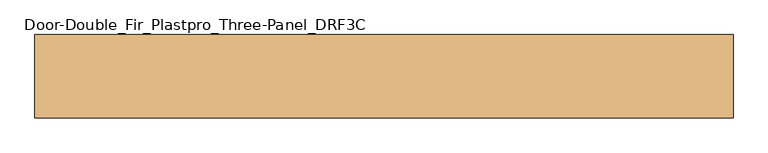
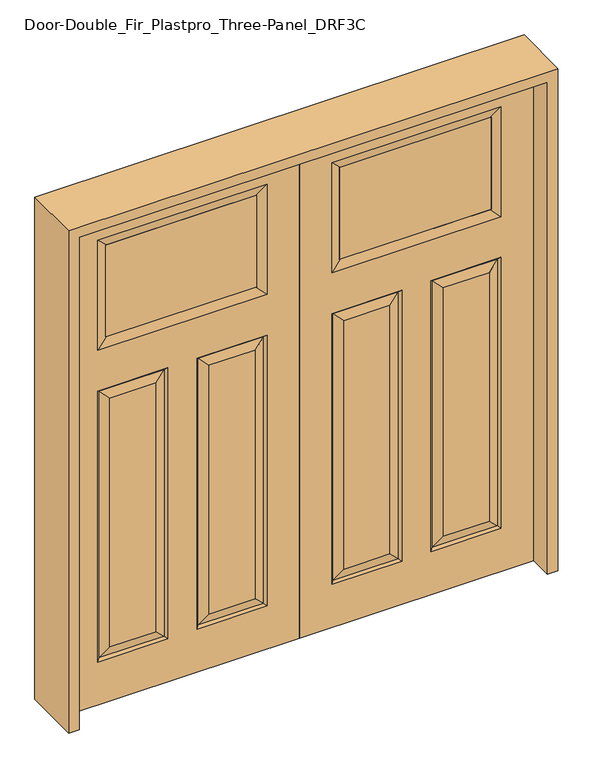
"""IFC4 building model written with IfcOpenShell, lengths in millimetres: door geometry, Door-Double_Fir_Plastpro_Three-Panel_DRF3C."""

from ifc_helpers import new_model, si_unit, frame, origin, place, context, project, spatial, polyline, outline, extrude, faceted_brep, source, transform, mapped, element, save


def door_double_fir_plastpro_three_panel_drf3c_b2e98c24(model_context):
    return source(origin(), model_context, "Body", "SolidModel", [
        faceted_brep([(914.4, -20.6375, 2032.0), (914.4, -20.6375, 0.0), (914.4, 20.6375, 0.0), (914.4, 20.6375, 2032.0), (0.0, 20.6375, 0.0), (0.0, 20.6375, 2032.0), (126.873, 20.6375, 177.673), (400.177, 20.6375, 177.673), (400.177, 20.6375, 1295.527), (126.873, 20.6375, 1295.527), (787.5984375, 20.6375, 1463.5757812), (787.5984375, 20.6375, 1917.8984375), (126.8015625, 20.6375, 1917.8984375), (126.8015625, 20.6375, 1463.5757812), (787.527, 20.6375, 1295.527), (514.223, 20.6375, 1295.527), (514.223, 20.6375, 177.673), (787.527, 20.6375, 177.673), (741.4895, 20.6375, 223.7105), (560.2605, 20.6375, 223.7105), (560.2605, 20.6375, 1249.4895), (741.4895, 20.6375, 1249.4895), (172.9105, 20.6375, 1249.4895), (354.1395, 20.6375, 1249.4895), (354.1395, 20.6375, 223.7105), (172.9105, 20.6375, 223.7105), (778.5467439, 11.6572439, 1286.5467439), (778.5467439, 11.6572439, 186.6532561), (523.2032561, 11.6572439, 186.6532561), (391.1967439, -11.6572439, 186.6532561), (391.1967439, -11.6572439, 1286.5467439), (354.1395, -20.6375, 1249.4895), (354.1395, -20.6375, 223.7105), (560.2605, -20.6375, 223.7105), (560.2605, -20.6375, 1249.4895), (523.2032561, -11.6572439, 1286.5467439), (523.2032561, -11.6572439, 186.6532561), (778.5467439, -11.6572439, 186.6532561), (514.223, -20.6375, 177.673), (787.527, -20.6375, 177.673), (787.5984375, -20.6375, 1463.5757812), (787.5984375, -20.6375, 1917.8984375), (750.5411936, -11.6572439, 1880.8411936), (753.7161936, -12.4266566, 1880.8898438), (753.7161936, -12.4266566, 1500.584375), (750.5411936, -11.6572439, 1500.584375), (163.8588064, -11.6572439, 1500.584375), (160.6838064, -12.4266566, 1500.584375), (160.6838064, -12.4266566, 1880.8898438), (163.8588064, -11.6572439, 1880.8898438), (126.8015625, -20.6375, 1917.8984375), (126.8015625, -20.6375, 1463.5757812), (135.8532561, -11.6572439, 1286.5467439), (400.177, -20.6375, 1295.527), (126.873, -20.6375, 1295.527), (160.6838064, 12.4266566, 1880.8898438), (163.8588064, 11.6572439, 1880.8898438), (750.5411936, 11.6690335, 1880.8898438), (753.7161936, 12.4266566, 1880.8898438), (0.0, -20.6375, 0.0), (0.0, -20.6375, 2032.0), (514.223, -20.6375, 1295.527), (787.527, -20.6375, 1295.527), (400.177, -20.6375, 177.673), (126.873, -20.6375, 177.673), (172.9105, -20.6375, 223.7105), (172.9105, -20.6375, 1249.4895), (741.4895, -20.6375, 1249.4895), (741.4895, -20.6375, 223.7105), (135.8532561, 11.6572439, 186.6532561), (391.1967439, 11.6572439, 186.6532561), (135.8532561, -11.6572439, 186.6532561), (778.5467439, -11.6572439, 1286.5467439), (160.6838064, 12.4266566, 1500.584375), (163.8588064, 11.6572439, 1500.584375), (135.8532561, 11.6572439, 1286.5467439), (391.1967439, 11.6572439, 1286.5467439), (523.2032561, 11.6572439, 1286.5467439), (750.5898438, 11.6690335, 1500.584375), (753.7161936, 12.4266566, 1500.584375)], [[[0, 1, 2, 3]], [[3, 2, 4, 5], [6, 7, 8, 9], [10, 11, 12, 13], [14, 15, 16, 17]], [[18, 19, 20, 21]], [[22, 23, 24, 25]], [[26, 14, 17, 27]], [[27, 18, 21, 26]], [[27, 28, 19, 18]], [[29, 30, 31, 32]], [[33, 34, 35, 36]], [[37, 36, 38, 39]], [[40, 41, 42, 43, 44, 45]], [[46, 47, 48, 49, 50, 51]], [[52, 30, 53, 54]], [[55, 56, 57, 58, 43, 42, 49, 48]], [[51, 40, 45, 46]], [[4, 2, 1, 59]], [[5, 4, 59, 60]], [[60, 59, 1, 0], [39, 38, 61, 62], [51, 50, 41, 40], [54, 53, 63, 64]], [[65, 32, 31, 66]], [[67, 34, 33, 68]], [[5, 60, 0, 3]], [[69, 70, 7, 6]], [[71, 29, 32, 65]], [[63, 53, 30, 29]], [[37, 39, 62, 72]], [[13, 12, 56, 55, 73, 74]], [[6, 9, 75, 69]], [[70, 76, 8, 7]], [[75, 22, 25, 69]], [[25, 24, 70, 69]], [[24, 23, 76, 70]], [[17, 16, 28, 27]], [[16, 15, 77, 28]], [[28, 77, 20, 19]], [[65, 66, 52, 71]], [[52, 54, 64, 71]], [[64, 63, 29, 71]], [[72, 67, 68, 37]], [[68, 33, 36, 37]], [[36, 35, 61, 38]], [[12, 11, 57, 56]], [[78, 79, 58, 57, 11, 10]], [[49, 42, 41, 50]], [[66, 31, 30, 52]], [[9, 8, 76, 75]], [[75, 76, 23, 22]], [[58, 79, 44, 43]], [[79, 78, 74, 73, 47, 46, 45, 44]], [[48, 47, 73, 55]], [[74, 78, 10, 13]], [[72, 35, 34, 67]], [[62, 61, 35, 72]], [[26, 77, 15, 14]], [[21, 20, 77, 26]]]),
        extrude(outline(polyline([(160.6838064, -11.6572439), (160.6838064, 11.6572439), (753.7161936, 11.6572439), (753.7161936, -11.6572439), (160.6838064, -11.6572439)])), frame((0.0, 0.0, 1500.584375), z_axis=(0.0, 0.0, 1.0), x_axis=(1.0, 0.0, 0.0)), (0.0, 0.0, 1.0), 380.3054688),
        faceted_brep([(-914.4, -20.6375, 2032.0), (-914.4, 20.6375, 2032.0), (-914.4, 20.6375, 0.0), (-914.4, -20.6375, 0.0), (-172.9105, 20.6375, 1249.4895), (-172.9105, 20.6375, 223.7105), (-354.1395, 20.6375, 223.7105), (-354.1395, 20.6375, 1249.4895), (-741.4895, 20.6375, 223.7105), (-741.4895, 20.6375, 1249.4895), (-560.2605, 20.6375, 1249.4895), (-560.2605, 20.6375, 223.7105), (0.0, 20.6375, 2032.0), (0.0, 20.6375, 0.0), (-126.873, 20.6375, 177.673), (-126.873, 20.6375, 1295.527), (-400.177, 20.6375, 1295.527), (-400.177, 20.6375, 177.673), (-787.5984375, 20.6375, 1463.5757812), (-126.8015625, 20.6375, 1463.5757812), (-126.8015625, 20.6375, 1917.8984375), (-787.5984375, 20.6375, 1917.8984375), (-787.527, 20.6375, 1295.527), (-787.527, 20.6375, 177.673), (-514.223, 20.6375, 177.673), (-514.223, 20.6375, 1295.527), (-778.5467439, 11.6572439, 1286.5467439), (-778.5467439, 11.6572439, 186.6532561), (-523.2032561, 11.6572439, 186.6532561), (-391.1967439, -11.6572439, 186.6532561), (-354.1395, -20.6375, 223.7105), (-354.1395, -20.6375, 1249.4895), (-391.1967439, -11.6572439, 1286.5467439), (-560.2605, -20.6375, 223.7105), (-523.2032561, -11.6572439, 186.6532561), (-523.2032561, -11.6572439, 1286.5467439), (-560.2605, -20.6375, 1249.4895), (-778.5467439, -11.6572439, 186.6532561), (-787.527, -20.6375, 177.673), (-514.223, -20.6375, 177.673), (-787.5984375, -20.6375, 1463.5757812), (-750.5411936, -11.6572439, 1500.6330251), (-753.7161936, -12.4266566, 1500.584375), (-753.7161936, -12.4266566, 1880.8898438), (-750.5411936, -11.6572439, 1880.8898438), (-787.5984375, -20.6375, 1917.8984375), (-163.8588064, -11.6572439, 1500.6330251), (-126.8015625, -20.6375, 1463.5757812), (-126.8015625, -20.6375, 1917.8984375), (-163.8588064, -11.6572439, 1880.8411936), (-160.6838064, -12.4266566, 1880.8898438), (-160.6838064, -12.4266566, 1500.584375), (-135.8532561, -11.6572439, 1286.5467439), (-126.873, -20.6375, 1295.527), (-400.177, -20.6375, 1295.527), (-160.6838064, 12.4266566, 1880.8898438), (-753.7161936, 12.4266566, 1880.8898438), (-750.5411936, 11.6572439, 1880.8898438), (-163.8588064, 11.6690335, 1880.8898438), (0.0, -20.6375, 0.0), (0.0, -20.6375, 2032.0), (-172.9105, -20.6375, 223.7105), (-172.9105, -20.6375, 1249.4895), (-741.4895, -20.6375, 1249.4895), (-741.4895, -20.6375, 223.7105), (-787.527, -20.6375, 1295.527), (-514.223, -20.6375, 1295.527), (-126.873, -20.6375, 177.673), (-400.177, -20.6375, 177.673), (-135.8532561, 11.6572439, 186.6532561), (-391.1967439, 11.6572439, 186.6532561), (-135.8532561, -11.6572439, 186.6532561), (-778.5467439, -11.6572439, 1286.5467439), (-163.8588064, 11.6572439, 1500.6330251), (-160.6838064, 12.4266566, 1500.584375), (-135.8532561, 11.6572439, 1286.5467439), (-391.1967439, 11.6572439, 1286.5467439), (-523.2032561, 11.6572439, 1286.5467439), (-750.5411936, 11.6572439, 1500.6330251), (-753.7161936, 12.4266566, 1500.584375)], [[[0, 1, 2, 3]], [[4, 5, 6, 7]], [[8, 9, 10, 11]], [[1, 12, 13, 2], [14, 15, 16, 17], [18, 19, 20, 21], [22, 23, 24, 25]], [[26, 27, 23, 22]], [[27, 26, 9, 8]], [[27, 8, 11, 28]], [[29, 30, 31, 32]], [[33, 34, 35, 36]], [[37, 38, 39, 34]], [[40, 41, 42, 43, 44, 45]], [[46, 47, 48, 49, 50, 51]], [[52, 53, 54, 32]], [[55, 50, 49, 44, 43, 56, 57, 58]], [[47, 46, 41, 40]], [[13, 59, 3, 2]], [[12, 60, 59, 13]], [[61, 62, 31, 30]], [[63, 64, 33, 36]], [[60, 0, 3, 59], [38, 65, 66, 39], [47, 40, 45, 48], [53, 67, 68, 54]], [[12, 1, 0, 60]], [[69, 14, 17, 70]], [[71, 61, 30, 29]], [[68, 29, 32, 54]], [[37, 72, 65, 38]], [[19, 73, 74, 55, 58, 20]], [[14, 69, 75, 15]], [[70, 17, 16, 76]], [[75, 69, 5, 4]], [[5, 69, 70, 6]], [[6, 70, 76, 7]], [[23, 27, 28, 24]], [[24, 28, 77, 25]], [[28, 11, 10, 77]], [[61, 71, 52, 62]], [[52, 71, 67, 53]], [[67, 71, 29, 68]], [[72, 37, 64, 63]], [[64, 37, 34, 33]], [[34, 39, 66, 35]], [[20, 58, 57, 21]], [[78, 18, 21, 57, 56, 79]], [[49, 48, 45, 44]], [[62, 52, 32, 31]], [[15, 75, 76, 16]], [[75, 4, 7, 76]], [[56, 43, 42, 79]], [[79, 42, 41, 46, 51, 74, 73, 78]], [[50, 55, 74, 51]], [[73, 19, 18, 78]], [[72, 63, 36, 35]], [[65, 72, 35, 66]], [[26, 22, 25, 77]], [[9, 26, 77, 10]]]),
        extrude(outline(polyline([(-160.6838064, -11.6572439), (-753.7161936, -11.6572439), (-753.7161936, 11.6572439), (-160.6838064, 11.6572439), (-160.6838064, -11.6572439)])), frame((0.0, 0.0, 1500.584375), z_axis=(0.0, 0.0, 1.0), x_axis=(1.0, 0.0, 0.0)), (0.0, 0.0, 1.0), 380.3054688),
        extrude(outline(polyline([(2073.275, -955.675), (0.0, -955.675), (0.0, -914.4), (2032.0, -914.4), (2032.0, 914.4), (0.0, 914.4), (0.0, 955.675), (2073.275, 955.675), (2073.275, -955.675)])), frame((0.0, -114.3, 0.0), z_axis=(0.0, 1.0, 0.0), x_axis=(0.0, 0.0, 1.0)), (0.0, 0.0, 1.0), 228.6),
    ])


if __name__ == "__main__":
    model = new_model("IFC4")
    model_context = context("Model", 3, world=origin())
    ifc_project = project(units=[si_unit("LENGTHUNIT", "METRE", prefix="MILLI")], contexts=[model_context])
    site = spatial("IfcSite", under=ifc_project)
    building = spatial("IfcBuilding", under=site)
    placement = place(None, origin())
    door_double_fir_plastpro_three_panel_drf3c_shape = door_double_fir_plastpro_three_panel_drf3c_b2e98c24(model_context)
    element("IfcDoor", 1, ObjectType="Door-Double_Fir_Plastpro_Three-Panel_DRF3C", at=placement, inside=building, context=model_context, shape_type="MappedRepresentation", body=[
        mapped(door_double_fir_plastpro_three_panel_drf3c_shape, transform((0.0, 0.0, 0.0), x_axis=(1.0, 0.0, 0.0), y_axis=(0.0, 1.0, 0.0), z_axis=(0.0, 0.0, 1.0))),
    ])
    save(model, "model.ifc")
